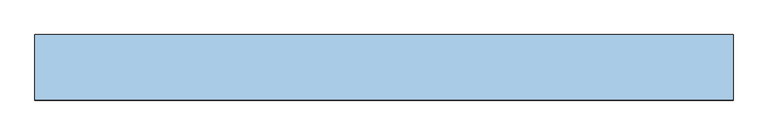
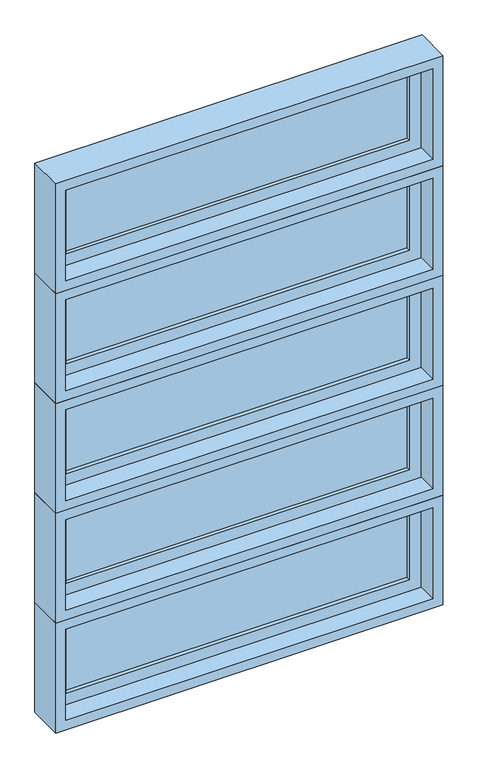
"""IFC4 building model written with IfcOpenShell, lengths in millimetres: window geometry."""

from ifc_helpers import new_model, si_unit, frame, origin, place, context, project, spatial, polyline, outline, extrude, faceted_brep, source, transform, mapped, element, save


def window_1dca3f38(model_context):
    return source(origin(), model_context, "Body", "SolidModel", [
        faceted_brep([(-1485.4781766, 42.8625, 2389.98125), (-291.6781766, 42.8625, 2389.98125), (-291.6781766, 93.6625, 2389.98125), (-1485.4781766, 93.6625, 2389.98125), (-1466.4281766, -20.6375, 2409.03125), (-310.7281766, -20.6375, 2409.03125), (-310.7281766, 42.8625, 2409.03125), (-1466.4281766, 42.8625, 2409.03125), (-1498.1781766, 93.6625, 2377.28125), (-278.9781766, 93.6625, 2377.28125), (-278.9781766, -20.6375, 2377.28125), (-1498.1781766, -20.6375, 2377.28125), (-291.6781766, 42.8625, 2730.3015625), (-291.6781766, 93.6625, 2730.3015625), (-310.7281766, -20.6375, 2711.2515625), (-310.7281766, 42.8625, 2711.2515625), (-278.9781766, 93.6625, 2743.0015625), (-278.9781766, -20.6375, 2743.0015625), (-1485.4781766, 42.8625, 2730.3015625), (-1485.4781766, 93.6625, 2730.3015625), (-1466.4281766, -20.6375, 2711.2515625), (-1466.4281766, 42.8625, 2711.2515625), (-1498.1781766, 93.6625, 2743.0015625), (-1498.1781766, -20.6375, 2743.0015625)], [[[0, 1, 2, 3]], [[4, 5, 6, 7]], [[8, 9, 10, 11]], [[1, 12, 13, 2]], [[5, 14, 15, 6]], [[9, 16, 17, 10]], [[12, 18, 19, 13]], [[14, 20, 21, 15]], [[16, 22, 23, 17]], [[9, 8, 22, 16], [3, 2, 13, 19]], [[18, 0, 3, 19]], [[1, 0, 18, 12], [7, 6, 15, 21]], [[20, 4, 7, 21]], [[11, 10, 17, 23], [5, 4, 20, 14]], [[22, 8, 11, 23]]]),
        extrude(outline(polyline([(-1428.3281766, 74.6125), (-348.8281766, 74.6125), (-348.8281766, 68.2625), (-1428.3281766, 68.2625), (-1428.3281766, 74.6125)])), frame((0.0, 0.0, 2447.13125), z_axis=(0.0, 0.0, 1.0), x_axis=(1.0, 0.0, 0.0)), (0.0, 0.0, 1.0), 226.0203125),
        extrude(outline(polyline([(-1428.3281766, 61.9125), (-348.8281766, 61.9125), (-348.8281766, 55.5625), (-1428.3281766, 55.5625), (-1428.3281766, 61.9125)])), frame((0.0, 0.0, 2447.13125), z_axis=(0.0, 0.0, 1.0), x_axis=(1.0, 0.0, 0.0)), (0.0, 0.0, 1.0), 226.0203125),
        extrude(outline(polyline([(2389.98125, -291.6781766), (2730.3015625, -291.6781766), (2730.3015625, -1485.4781766), (2389.98125, -1485.4781766), (2389.98125, -291.6781766)]), holes=[polyline([(2673.1515625, -348.8281766), (2447.13125, -348.8281766), (2447.13125, -1428.3281766), (2673.1515625, -1428.3281766), (2673.1515625, -348.8281766)])]), frame((0.0, 42.8625, 0.0), z_axis=(0.0, 1.0, 0.0), x_axis=(0.0, 0.0, 1.0)), (0.0, 0.0, 1.0), 44.45),
        faceted_brep([(-1485.4781766, 42.8625, 2024.2609375), (-291.6781766, 42.8625, 2024.2609375), (-291.6781766, 93.6625, 2024.2609375), (-1485.4781766, 93.6625, 2024.2609375), (-1466.4281766, -20.6375, 2043.3109375), (-310.7281766, -20.6375, 2043.3109375), (-310.7281766, 42.8625, 2043.3109375), (-1466.4281766, 42.8625, 2043.3109375), (-1498.1781766, 93.6625, 2011.5609375), (-278.9781766, 93.6625, 2011.5609375), (-278.9781766, -20.6375, 2011.5609375), (-1498.1781766, -20.6375, 2011.5609375), (-291.6781766, 42.8625, 2364.58125), (-291.6781766, 93.6625, 2364.58125), (-310.7281766, -20.6375, 2345.53125), (-310.7281766, 42.8625, 2345.53125), (-278.9781766, 93.6625, 2377.28125), (-278.9781766, -20.6375, 2377.28125), (-1485.4781766, 42.8625, 2364.58125), (-1485.4781766, 93.6625, 2364.58125), (-1466.4281766, -20.6375, 2345.53125), (-1466.4281766, 42.8625, 2345.53125), (-1498.1781766, 93.6625, 2377.28125), (-1498.1781766, -20.6375, 2377.28125)], [[[0, 1, 2, 3]], [[4, 5, 6, 7]], [[8, 9, 10, 11]], [[1, 12, 13, 2]], [[5, 14, 15, 6]], [[9, 16, 17, 10]], [[12, 18, 19, 13]], [[14, 20, 21, 15]], [[16, 22, 23, 17]], [[9, 8, 22, 16], [3, 2, 13, 19]], [[18, 0, 3, 19]], [[1, 0, 18, 12], [7, 6, 15, 21]], [[20, 4, 7, 21]], [[11, 10, 17, 23], [5, 4, 20, 14]], [[22, 8, 11, 23]]]),
        extrude(outline(polyline([(-1428.3281766, 74.6125), (-348.8281766, 74.6125), (-348.8281766, 68.2625), (-1428.3281766, 68.2625), (-1428.3281766, 74.6125)])), frame((0.0, 0.0, 2081.4109375), z_axis=(0.0, 0.0, 1.0), x_axis=(1.0, 0.0, 0.0)), (0.0, 0.0, 1.0), 226.0203125),
        extrude(outline(polyline([(-1428.3281766, 61.9125), (-348.8281766, 61.9125), (-348.8281766, 55.5625), (-1428.3281766, 55.5625), (-1428.3281766, 61.9125)])), frame((0.0, 0.0, 2081.4109375), z_axis=(0.0, 0.0, 1.0), x_axis=(1.0, 0.0, 0.0)), (0.0, 0.0, 1.0), 226.0203125),
        extrude(outline(polyline([(2024.2609375, -291.6781766), (2364.58125, -291.6781766), (2364.58125, -1485.4781766), (2024.2609375, -1485.4781766), (2024.2609375, -291.6781766)]), holes=[polyline([(2307.43125, -348.8281766), (2081.4109375, -348.8281766), (2081.4109375, -1428.3281766), (2307.43125, -1428.3281766), (2307.43125, -348.8281766)])]), frame((0.0, 42.8625, 0.0), z_axis=(0.0, 1.0, 0.0), x_axis=(0.0, 0.0, 1.0)), (0.0, 0.0, 1.0), 44.45),
        faceted_brep([(-1485.4781766, 42.8625, 1658.540625), (-291.6781766, 42.8625, 1658.540625), (-291.6781766, 93.6625, 1658.540625), (-1485.4781766, 93.6625, 1658.540625), (-1466.4281766, -20.6375, 1677.590625), (-310.7281766, -20.6375, 1677.590625), (-310.7281766, 42.8625, 1677.590625), (-1466.4281766, 42.8625, 1677.590625), (-1498.1781766, 93.6625, 1645.840625), (-278.9781766, 93.6625, 1645.840625), (-278.9781766, -20.6375, 1645.840625), (-1498.1781766, -20.6375, 1645.840625), (-291.6781766, 42.8625, 1998.8609375), (-291.6781766, 93.6625, 1998.8609375), (-310.7281766, -20.6375, 1979.8109375), (-310.7281766, 42.8625, 1979.8109375), (-278.9781766, 93.6625, 2011.5609375), (-278.9781766, -20.6375, 2011.5609375), (-1485.4781766, 42.8625, 1998.8609375), (-1485.4781766, 93.6625, 1998.8609375), (-1466.4281766, -20.6375, 1979.8109375), (-1466.4281766, 42.8625, 1979.8109375), (-1498.1781766, 93.6625, 2011.5609375), (-1498.1781766, -20.6375, 2011.5609375)], [[[0, 1, 2, 3]], [[4, 5, 6, 7]], [[8, 9, 10, 11]], [[1, 12, 13, 2]], [[5, 14, 15, 6]], [[9, 16, 17, 10]], [[12, 18, 19, 13]], [[14, 20, 21, 15]], [[16, 22, 23, 17]], [[9, 8, 22, 16], [3, 2, 13, 19]], [[18, 0, 3, 19]], [[1, 0, 18, 12], [7, 6, 15, 21]], [[20, 4, 7, 21]], [[11, 10, 17, 23], [5, 4, 20, 14]], [[22, 8, 11, 23]]]),
        extrude(outline(polyline([(-1428.3281766, 74.6125), (-348.8281766, 74.6125), (-348.8281766, 68.2625), (-1428.3281766, 68.2625), (-1428.3281766, 74.6125)])), frame((0.0, 0.0, 1715.690625), z_axis=(0.0, 0.0, 1.0), x_axis=(1.0, 0.0, 0.0)), (0.0, 0.0, 1.0), 226.0203125),
        extrude(outline(polyline([(-1428.3281766, 61.9125), (-348.8281766, 61.9125), (-348.8281766, 55.5625), (-1428.3281766, 55.5625), (-1428.3281766, 61.9125)])), frame((0.0, 0.0, 1715.690625), z_axis=(0.0, 0.0, 1.0), x_axis=(1.0, 0.0, 0.0)), (0.0, 0.0, 1.0), 226.0203125),
        extrude(outline(polyline([(1658.540625, -291.6781766), (1998.8609375, -291.6781766), (1998.8609375, -1485.4781766), (1658.540625, -1485.4781766), (1658.540625, -291.6781766)]), holes=[polyline([(1941.7109375, -348.8281766), (1715.690625, -348.8281766), (1715.690625, -1428.3281766), (1941.7109375, -1428.3281766), (1941.7109375, -348.8281766)])]), frame((0.0, 42.8625, 0.0), z_axis=(0.0, 1.0, 0.0), x_axis=(0.0, 0.0, 1.0)), (0.0, 0.0, 1.0), 44.45),
        faceted_brep([(-1485.4781766, 42.8625, 1292.8203125), (-291.6781766, 42.8625, 1292.8203125), (-291.6781766, 93.6625, 1292.8203125), (-1485.4781766, 93.6625, 1292.8203125), (-1466.4281766, -20.6375, 1311.8703125), (-310.7281766, -20.6375, 1311.8703125), (-310.7281766, 42.8625, 1311.8703125), (-1466.4281766, 42.8625, 1311.8703125), (-1498.1781766, 93.6625, 1280.1203125), (-278.9781766, 93.6625, 1280.1203125), (-278.9781766, -20.6375, 1280.1203125), (-1498.1781766, -20.6375, 1280.1203125), (-291.6781766, 42.8625, 1633.140625), (-291.6781766, 93.6625, 1633.140625), (-310.7281766, -20.6375, 1614.090625), (-310.7281766, 42.8625, 1614.090625), (-278.9781766, 93.6625, 1645.840625), (-278.9781766, -20.6375, 1645.840625), (-1485.4781766, 42.8625, 1633.140625), (-1485.4781766, 93.6625, 1633.140625), (-1466.4281766, -20.6375, 1614.090625), (-1466.4281766, 42.8625, 1614.090625), (-1498.1781766, 93.6625, 1645.840625), (-1498.1781766, -20.6375, 1645.840625)], [[[0, 1, 2, 3]], [[4, 5, 6, 7]], [[8, 9, 10, 11]], [[1, 12, 13, 2]], [[5, 14, 15, 6]], [[9, 16, 17, 10]], [[12, 18, 19, 13]], [[14, 20, 21, 15]], [[16, 22, 23, 17]], [[9, 8, 22, 16], [3, 2, 13, 19]], [[18, 0, 3, 19]], [[1, 0, 18, 12], [7, 6, 15, 21]], [[20, 4, 7, 21]], [[11, 10, 17, 23], [5, 4, 20, 14]], [[22, 8, 11, 23]]]),
        extrude(outline(polyline([(-1428.3281766, 74.6125), (-348.8281766, 74.6125), (-348.8281766, 68.2625), (-1428.3281766, 68.2625), (-1428.3281766, 74.6125)])), frame((0.0, 0.0, 1349.9703125), z_axis=(0.0, 0.0, 1.0), x_axis=(1.0, 0.0, 0.0)), (0.0, 0.0, 1.0), 226.0203125),
        extrude(outline(polyline([(-1428.3281766, 61.9125), (-348.8281766, 61.9125), (-348.8281766, 55.5625), (-1428.3281766, 55.5625), (-1428.3281766, 61.9125)])), frame((0.0, 0.0, 1349.9703125), z_axis=(0.0, 0.0, 1.0), x_axis=(1.0, 0.0, 0.0)), (0.0, 0.0, 1.0), 226.0203125),
        extrude(outline(polyline([(1292.8203125, -291.6781766), (1633.140625, -291.6781766), (1633.140625, -1485.4781766), (1292.8203125, -1485.4781766), (1292.8203125, -291.6781766)]), holes=[polyline([(1575.990625, -348.8281766), (1349.9703125, -348.8281766), (1349.9703125, -1428.3281766), (1575.990625, -1428.3281766), (1575.990625, -348.8281766)])]), frame((0.0, 42.8625, 0.0), z_axis=(0.0, 1.0, 0.0), x_axis=(0.0, 0.0, 1.0)), (0.0, 0.0, 1.0), 44.45),
        faceted_brep([(-1485.4781766, 42.8625, 927.1), (-291.6781766, 42.8625, 927.1), (-291.6781766, 93.6625, 927.1), (-1485.4781766, 93.6625, 927.1), (-1466.4281766, -20.6375, 946.15), (-310.7281766, -20.6375, 946.15), (-310.7281766, 42.8625, 946.15), (-1466.4281766, 42.8625, 946.15), (-1498.1781766, 93.6625, 914.4), (-278.9781766, 93.6625, 914.4), (-278.9781766, -20.6375, 914.4), (-1498.1781766, -20.6375, 914.4), (-291.6781766, 42.8625, 1267.4203125), (-291.6781766, 93.6625, 1267.4203125), (-310.7281766, -20.6375, 1248.3703125), (-310.7281766, 42.8625, 1248.3703125), (-278.9781766, 93.6625, 1280.1203125), (-278.9781766, -20.6375, 1280.1203125), (-1485.4781766, 42.8625, 1267.4203125), (-1485.4781766, 93.6625, 1267.4203125), (-1466.4281766, -20.6375, 1248.3703125), (-1466.4281766, 42.8625, 1248.3703125), (-1498.1781766, 93.6625, 1280.1203125), (-1498.1781766, -20.6375, 1280.1203125)], [[[0, 1, 2, 3]], [[4, 5, 6, 7]], [[8, 9, 10, 11]], [[1, 12, 13, 2]], [[5, 14, 15, 6]], [[9, 16, 17, 10]], [[12, 18, 19, 13]], [[14, 20, 21, 15]], [[16, 22, 23, 17]], [[9, 8, 22, 16], [3, 2, 13, 19]], [[18, 0, 3, 19]], [[1, 0, 18, 12], [7, 6, 15, 21]], [[20, 4, 7, 21]], [[11, 10, 17, 23], [5, 4, 20, 14]], [[22, 8, 11, 23]]]),
        extrude(outline(polyline([(-1428.3281766, 74.6125), (-348.8281766, 74.6125), (-348.8281766, 68.2625), (-1428.3281766, 68.2625), (-1428.3281766, 74.6125)])), frame((0.0, 0.0, 984.25), z_axis=(0.0, 0.0, 1.0), x_axis=(1.0, 0.0, 0.0)), (0.0, 0.0, 1.0), 226.0203125),
        extrude(outline(polyline([(-1428.3281766, 61.9125), (-348.8281766, 61.9125), (-348.8281766, 55.5625), (-1428.3281766, 55.5625), (-1428.3281766, 61.9125)])), frame((0.0, 0.0, 984.25), z_axis=(0.0, 0.0, 1.0), x_axis=(1.0, 0.0, 0.0)), (0.0, 0.0, 1.0), 226.0203125),
        extrude(outline(polyline([(927.1, -291.6781766), (1267.4203125, -291.6781766), (1267.4203125, -1485.4781766), (927.1, -1485.4781766), (927.1, -291.6781766)]), holes=[polyline([(1210.2703125, -348.8281766), (984.25, -348.8281766), (984.25, -1428.3281766), (1210.2703125, -1428.3281766), (1210.2703125, -348.8281766)])]), frame((0.0, 42.8625, 0.0), z_axis=(0.0, 1.0, 0.0), x_axis=(0.0, 0.0, 1.0)), (0.0, 0.0, 1.0), 44.45),
    ])


if __name__ == "__main__":
    model = new_model("IFC4")
    model_context = context("Model", 3, world=origin())
    ifc_project = project(units=[si_unit("LENGTHUNIT", "METRE", prefix="MILLI")], contexts=[model_context])
    site = spatial("IfcSite", under=ifc_project)
    building = spatial("IfcBuilding", under=site)
    placement = place(None, origin())
    window_shape = window_1dca3f38(model_context)
    element("IfcWindow", 1, at=placement, inside=building, context=model_context, shape_type="MappedRepresentation", body=[
        mapped(window_shape, transform((0.0, 0.0, 0.0), x_axis=(1.0, 0.0, 0.0), y_axis=(0.0, 1.0, 0.0), z_axis=(0.0, 0.0, 1.0))),
    ])
    save(model, "model.ifc")
